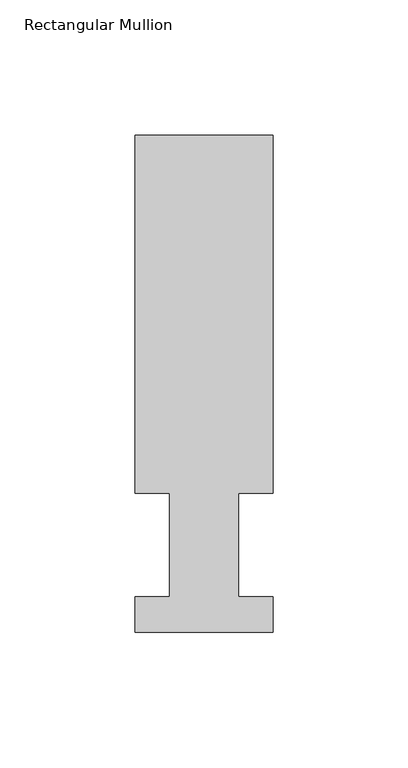
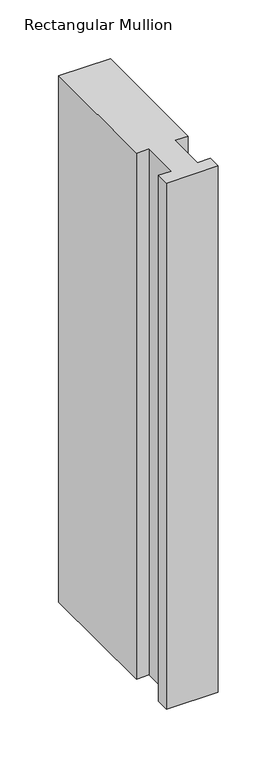
"""IFC4 building model written with IfcOpenShell, lengths in millimetres: member geometry, Rectangular Mullion."""

from ifc_helpers import new_model, si_unit, frame, origin, place, context, project, spatial, polyline, outline, extrude, source, transform, mapped, element, save


def rectangular_mullion_55bcfef2(model_context):
    return source(origin(), model_context, "Body", "SweptSolid", [
        extrude(outline(polyline([(-50.8, 13.1960937), (-38.1, 13.1960938), (-38.1, 51.2960938), (-50.8, 51.2960937), (-50.8, 183.4446737), (0.0, 183.4446737), (0.0, 51.2960938), (-12.7, 51.2960937), (-12.7, 13.1960938), (0.0, 13.1960938), (0.0, 0.0134937), (-50.8, 0.0134937), (-50.8, 13.1960937)])), frame((0.0, 0.0, -546.087333), z_axis=(0.0, 0.0, 1.0), x_axis=(1.0, 0.0, 0.0)), (0.0, 0.0, 1.0), 546.087333),
    ])


if __name__ == "__main__":
    model = new_model("IFC4")
    model_context = context("Model", 3, world=origin())
    ifc_project = project(units=[si_unit("LENGTHUNIT", "METRE", prefix="MILLI")], contexts=[model_context])
    site = spatial("IfcSite", under=ifc_project)
    building = spatial("IfcBuilding", under=site)
    placement = place(None, origin())
    rectangular_mullion_shape = rectangular_mullion_55bcfef2(model_context)
    element("IfcMember", 1, ObjectType="Rectangular Mullion", at=placement, inside=building, context=model_context, shape_type="MappedRepresentation", body=[
        mapped(rectangular_mullion_shape, transform((0.0, 0.0, 0.0), x_axis=(1.0, 0.0, 0.0), y_axis=(0.0, 1.0, 0.0), z_axis=(0.0, 0.0, 1.0))),
    ])
    save(model, "model.ifc")
